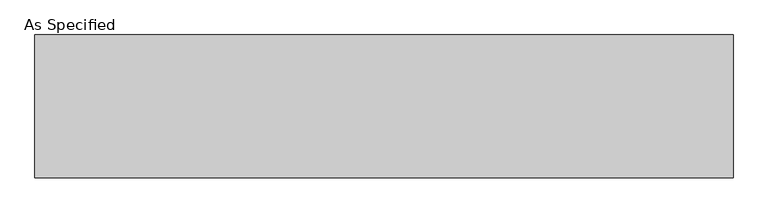
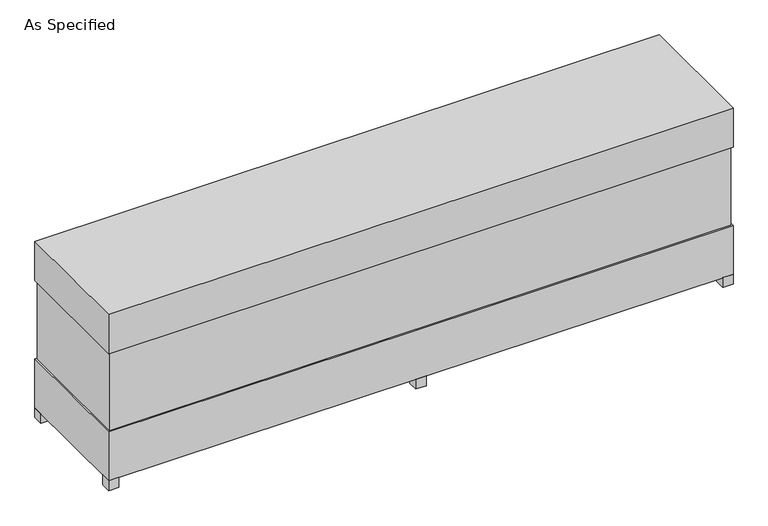
"""IFC4 building model written with IfcOpenShell, lengths in millimetres: proxy geometry, As Specified."""

from ifc_helpers import new_model, si_unit, frame, origin, origin_with_axes, place, context, project, spatial, polyline, outline, extrude, source, transform, mapped, element, save


def as_specified_143822ec(model_context):
    return source(origin(), model_context, "Body", "SweptSolid", [
        extrude(outline(polyline([(2287.5875, 458.7875), (2287.5875, -458.7875), (-2287.5875, -458.7875), (-2287.5875, 458.7875), (2287.5875, 458.7875)])), frame((0.0, 0.0, 457.2), z_axis=(0.0, 0.0, 1.0), x_axis=(1.0, 0.0, 0.0)), (0.0, 0.0, 1.0), 609.6),
        extrude(outline(polyline([(2298.7, 469.9), (2298.7, -469.9), (-2298.7, -469.9), (-2298.7, 469.9), (2298.7, 469.9)])), frame((0.0, 0.0, 1066.8), z_axis=(0.0, 0.0, 1.0), x_axis=(1.0, 0.0, 0.0)), (0.0, 0.0, 1.0), 304.8),
        extrude(outline(polyline([(2184.4, 254.0), (2184.4, 177.8), (2108.2, 177.8), (2108.2, 254.0), (2184.4, 254.0)])), frame((0.0, 0.0, 50.8), z_axis=(0.0, 0.0, 1.0), x_axis=(1.0, 0.0, 0.0)), (0.0, 0.0, 1.0), 25.4),
        extrude(outline(polyline([(2184.4, -177.8), (2184.4, -254.0), (2108.2, -254.0), (2108.2, -177.8), (2184.4, -177.8)])), frame((0.0, 0.0, 50.8), z_axis=(0.0, 0.0, 1.0), x_axis=(1.0, 0.0, 0.0)), (0.0, 0.0, 1.0), 25.4),
        extrude(outline(polyline([(-2222.5, 469.9), (-2222.5, 393.7), (-2298.7, 393.7), (-2298.7, 469.9), (-2222.5, 469.9)])), origin_with_axes(), (0.0, 0.0, 1.0), 76.2),
        extrude(outline(polyline([(2298.7, 469.9), (2298.7, 393.7), (2222.5, 393.7), (2222.5, 469.9), (2298.7, 469.9)])), origin_with_axes(), (0.0, 0.0, 1.0), 76.2),
        extrude(outline(polyline([(2298.7, -393.7), (2298.7, -469.9), (2222.5, -469.9), (2222.5, -393.7), (2298.7, -393.7)])), origin_with_axes(), (0.0, 0.0, 1.0), 76.2),
        extrude(outline(polyline([(-2222.5, -393.7), (-2222.5, -469.9), (-2298.7, -469.9), (-2298.7, -393.7), (-2222.5, -393.7)])), origin_with_axes(), (0.0, 0.0, 1.0), 76.2),
        extrude(outline(polyline([(38.1, 469.9), (38.1, 393.7), (-38.1, 393.7), (-38.1, 469.9), (38.1, 469.9)])), origin_with_axes(), (0.0, 0.0, 1.0), 76.2),
        extrude(outline(polyline([(38.1, -393.7), (38.1, -469.9), (-38.1, -469.9), (-38.1, -393.7), (38.1, -393.7)])), origin_with_axes(), (0.0, 0.0, 1.0), 76.2),
        extrude(outline(polyline([(2298.7, 469.9), (2298.7, -469.9), (-2298.7, -469.9), (-2298.7, 469.9), (2298.7, 469.9)])), frame((0.0, 0.0, 76.2), z_axis=(0.0, 0.0, 1.0), x_axis=(1.0, 0.0, 0.0)), (0.0, 0.0, 1.0), 381.0),
    ])


if __name__ == "__main__":
    model = new_model("IFC4")
    model_context = context("Model", 3, world=origin())
    ifc_project = project(units=[si_unit("LENGTHUNIT", "METRE", prefix="MILLI")], contexts=[model_context])
    site = spatial("IfcSite", under=ifc_project)
    building = spatial("IfcBuilding", under=site)
    placement = place(None, origin())
    as_specified_shape = as_specified_143822ec(model_context)
    element("IfcBuildingElementProxy", 1, Name="As Specified", ObjectType="As Specified", at=placement, inside=building, context=model_context, shape_type="MappedRepresentation", body=[
        mapped(as_specified_shape, transform((0.0, 0.0, 0.0), x_axis=(1.0, 0.0, 0.0), y_axis=(0.0, 1.0, 0.0), z_axis=(0.0, 0.0, 1.0))),
    ])
    save(model, "model.ifc")
